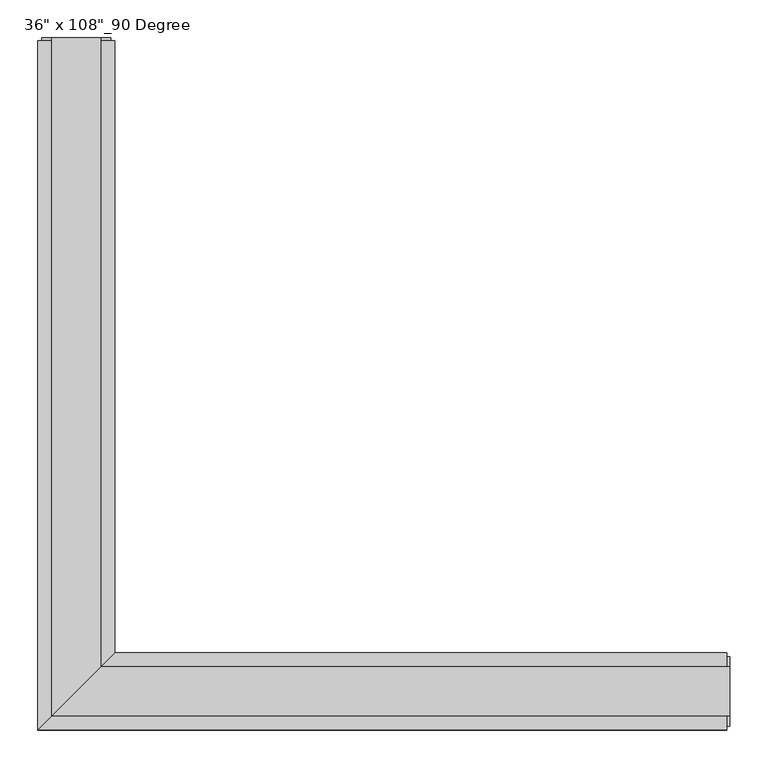
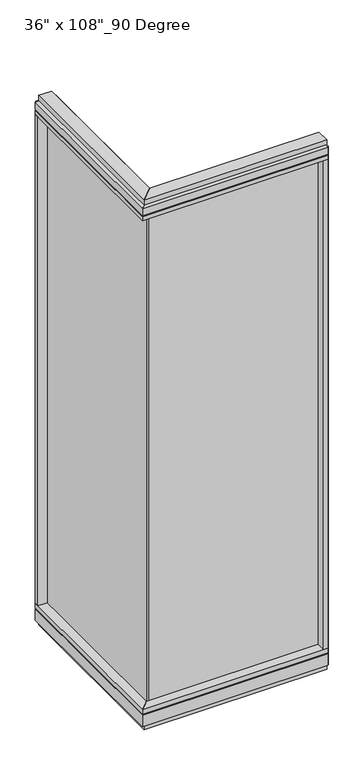
"""IFC4 building model written with IfcOpenShell, lengths in millimetres: furniture geometry."""

from ifc_helpers import new_model, si_unit, frame, origin, origin_with_axes, place, context, project, spatial, polyline, outline, extrude, faceted_brep, source, transform, mapped, element, save


def furniture_d7818420(model_context):
    return source(origin(), model_context, "Body", "SolidModel", [
        extrude(outline(polyline([(-471.5165229, 832.9202784), (-461.3565229, 832.9202784), (-461.3565229, -9.5977216), (-471.5165229, -9.5977216), (-471.5165229, 832.9202784)])), frame((0.0, 0.0, 120.523), z_axis=(0.0, 0.0, 1.0), x_axis=(1.0, 0.0, 0.0)), (0.0, 0.0, 1.0), 2533.777),
        extrude(outline(polyline([(-415.6365229, 855.1452784), (-415.6365229, 46.2822784), (-517.2365229, -55.3177216), (-517.2365229, 855.1452784), (-415.6365229, 855.1452784)])), frame((0.0, 0.0, 2654.3), z_axis=(0.0, 0.0, 1.0), x_axis=(1.0, 0.0, 0.0)), (0.0, 0.0, 1.0), 22.225),
        faceted_brep([(-415.6365229, 46.2822784, 2681.478), (-415.6365229, 46.2822784, 2717.8), (-517.2365229, -55.3177216, 2717.8), (-517.2365229, -55.3177216, 2681.478), (-512.2835229, -50.3647216, 2681.478), (-512.2835229, -50.3647216, 2676.525), (-420.5895229, 41.3292784, 2676.525), (-420.5895229, 41.3292784, 2681.478), (-415.6365229, 855.1452784, 2681.478), (-420.5895229, 855.1452784, 2681.478), (-420.5895229, 855.1452784, 2676.525), (-512.2835229, 855.1452784, 2676.525), (-512.2835229, 855.1452784, 2681.478), (-517.2365229, 855.1452784, 2681.478), (-517.2365229, 855.1452784, 2717.8), (-415.6365229, 855.1452784, 2717.8)], [[[0, 1, 2, 3, 4, 5, 6, 7]], [[8, 9, 10, 11, 12, 13, 14, 15]], [[8, 0, 7, 9]], [[13, 3, 2, 14]], [[14, 2, 1, 15]], [[15, 1, 0, 8]], [[9, 7, 6, 10]], [[10, 6, 5, 11]], [[11, 5, 4, 12]], [[12, 4, 3, 13]]]),
        extrude(outline(polyline([(-433.9245229, 859.0822784), (-433.9245229, 27.9942784), (-498.9485229, -37.0297216), (-498.9485229, 859.0822784), (-433.9245229, 859.0822784)])), frame((0.0, 0.0, 2717.8), z_axis=(0.0, 0.0, 1.0), x_axis=(1.0, 0.0, 0.0)), (0.0, 0.0, 1.0), 25.4),
        faceted_brep([(-420.5895229, 41.3292784, 93.345), (-420.5895229, 41.3292784, 98.298), (-512.2835229, -50.3647216, 98.298), (-512.2835229, -50.3647216, 93.345), (-517.2365229, -55.3177216, 93.345), (-517.2365229, -55.3177216, 31.75), (-415.6365229, 46.2822784, 31.75), (-415.6365229, 46.2822784, 93.345), (-415.6365229, 855.1452784, 93.345), (-415.6365229, 855.1452784, 31.75), (-517.2365229, 855.1452784, 31.75), (-517.2365229, 855.1452784, 93.345), (-512.2835229, 855.1452784, 93.345), (-512.2835229, 855.1452784, 98.298), (-420.5895229, 855.1452784, 98.298), (-420.5895229, 855.1452784, 93.345)], [[[0, 1, 2, 3, 4, 5, 6, 7]], [[8, 9, 10, 11, 12, 13, 14, 15]], [[15, 0, 7, 8]], [[10, 5, 4, 11]], [[9, 6, 5, 10]], [[8, 7, 6, 9]], [[14, 1, 0, 15]], [[13, 2, 1, 14]], [[12, 3, 2, 13]], [[11, 4, 3, 12]]]),
        extrude(outline(polyline([(-415.6365229, 855.1452784), (-415.6365229, 46.2822784), (-517.2365229, -55.3177216), (-517.2365229, 855.1452784), (-415.6365229, 855.1452784)])), frame((0.0, 0.0, 98.298), z_axis=(0.0, 0.0, 1.0), x_axis=(1.0, 0.0, 0.0)), (0.0, 0.0, 1.0), 22.225),
        extrude(outline(polyline([(-433.9245229, 859.0822784), (-433.9245229, 27.9942784), (-498.9485229, -37.0297216), (-498.9485229, 859.0822784), (-433.9245229, 859.0822784)])), origin_with_axes(), (0.0, 0.0, 1.0), 31.75),
        extrude(outline(polyline([(-517.2365229, 832.9202784), (-517.2365229, 855.1452784), (-415.6365229, 855.1452784), (-415.6365229, 832.9202784), (-517.2365229, 832.9202784)])), frame((0.0, 0.0, 120.523), z_axis=(0.0, 0.0, 1.0), x_axis=(1.0, 0.0, 0.0)), (0.0, 0.0, 1.0), 2533.777),
        extrude(outline(polyline([(-512.2835229, 859.0822784), (-420.5895229, 859.0822784), (-420.5895229, 855.1452784), (-512.2835229, 855.1452784), (-512.2835229, 859.0822784)])), frame((0.0, 0.0, 31.75), z_axis=(0.0, 0.0, 1.0), x_axis=(1.0, 0.0, 0.0)), (0.0, 0.0, 1.0), 2686.05),
        extrude(outline(polyline([(371.0014771, -9.5977216), (-471.5165229, -9.5977216), (-471.5165229, 0.5622784), (371.0014771, 0.5622784), (371.0014771, -9.5977216)])), frame((0.0, 0.0, 120.523), z_axis=(0.0, 0.0, 1.0), x_axis=(1.0, 0.0, 0.0)), (0.0, 0.0, 1.0), 2533.777),
        extrude(outline(polyline([(393.2264771, 46.2822784), (393.2264771, -55.3177216), (-517.2365229, -55.3177216), (-415.6365229, 46.2822784), (393.2264771, 46.2822784)])), frame((0.0, 0.0, 2654.3), z_axis=(0.0, 0.0, 1.0), x_axis=(1.0, 0.0, 0.0)), (0.0, 0.0, 1.0), 22.225),
        faceted_brep([(-415.6365229, 46.2822784, 2681.478), (-420.5895229, 41.3292784, 2681.478), (-420.5895229, 41.3292784, 2676.525), (-512.2835229, -50.3647216, 2676.525), (-512.2835229, -50.3647216, 2681.478), (-517.2365229, -55.3177216, 2681.478), (-517.2365229, -55.3177216, 2717.8), (-415.6365229, 46.2822784, 2717.8), (393.2264771, 46.2822784, 2681.478), (393.2264771, 46.2822784, 2717.8), (393.2264771, -55.3177216, 2717.8), (393.2264771, -55.3177216, 2681.478), (393.2264771, -50.3647216, 2681.478), (393.2264771, -50.3647216, 2676.525), (393.2264771, 41.3292784, 2676.525), (393.2264771, 41.3292784, 2681.478)], [[[0, 1, 2, 3, 4, 5, 6, 7]], [[8, 9, 10, 11, 12, 13, 14, 15]], [[8, 15, 1, 0]], [[11, 10, 6, 5]], [[10, 9, 7, 6]], [[9, 8, 0, 7]], [[15, 14, 2, 1]], [[14, 13, 3, 2]], [[13, 12, 4, 3]], [[12, 11, 5, 4]]]),
        extrude(outline(polyline([(397.1634771, 27.9942784), (397.1634771, -37.0297216), (-498.9485229, -37.0297216), (-433.9245229, 27.9942784), (397.1634771, 27.9942784)])), frame((0.0, 0.0, 2717.8), z_axis=(0.0, 0.0, 1.0), x_axis=(1.0, 0.0, 0.0)), (0.0, 0.0, 1.0), 25.4),
        faceted_brep([(-420.5895229, 41.3292784, 93.345), (-415.6365229, 46.2822784, 93.345), (-415.6365229, 46.2822784, 31.75), (-517.2365229, -55.3177216, 31.75), (-517.2365229, -55.3177216, 93.345), (-512.2835229, -50.3647216, 93.345), (-512.2835229, -50.3647216, 98.298), (-420.5895229, 41.3292784, 98.298), (393.2264771, 46.2822784, 93.345), (393.2264771, 41.3292784, 93.345), (393.2264771, 41.3292784, 98.298), (393.2264771, -50.3647216, 98.298), (393.2264771, -50.3647216, 93.345), (393.2264771, -55.3177216, 93.345), (393.2264771, -55.3177216, 31.75), (393.2264771, 46.2822784, 31.75)], [[[0, 1, 2, 3, 4, 5, 6, 7]], [[8, 9, 10, 11, 12, 13, 14, 15]], [[9, 8, 1, 0]], [[14, 13, 4, 3]], [[15, 14, 3, 2]], [[8, 15, 2, 1]], [[10, 9, 0, 7]], [[11, 10, 7, 6]], [[12, 11, 6, 5]], [[13, 12, 5, 4]]]),
        extrude(outline(polyline([(393.2264771, 46.2822784), (393.2264771, -55.3177216), (-517.2365229, -55.3177216), (-415.6365229, 46.2822784), (393.2264771, 46.2822784)])), frame((0.0, 0.0, 98.298), z_axis=(0.0, 0.0, 1.0), x_axis=(1.0, 0.0, 0.0)), (0.0, 0.0, 1.0), 22.225),
        extrude(outline(polyline([(397.1634771, 27.9942784), (397.1634771, -37.0297216), (-498.9485229, -37.0297216), (-433.9245229, 27.9942784), (397.1634771, 27.9942784)])), origin_with_axes(), (0.0, 0.0, 1.0), 31.75),
        extrude(outline(polyline([(371.0014771, -55.3177216), (371.0014771, 46.2822784), (393.2264771, 46.2822784), (393.2264771, -55.3177216), (371.0014771, -55.3177216)])), frame((0.0, 0.0, 120.523), z_axis=(0.0, 0.0, 1.0), x_axis=(1.0, 0.0, 0.0)), (0.0, 0.0, 1.0), 2533.777),
        extrude(outline(polyline([(397.1634771, -50.3647216), (393.2264771, -50.3647216), (393.2264771, 41.3292784), (397.1634771, 41.3292784), (397.1634771, -50.3647216)])), frame((0.0, 0.0, 31.75), z_axis=(0.0, 0.0, 1.0), x_axis=(1.0, 0.0, 0.0)), (0.0, 0.0, 1.0), 2686.05),
    ])


if __name__ == "__main__":
    model = new_model("IFC4")
    model_context = context("Model", 3, world=origin())
    ifc_project = project(units=[si_unit("LENGTHUNIT", "METRE", prefix="MILLI")], contexts=[model_context])
    site = spatial("IfcSite", under=ifc_project)
    building = spatial("IfcBuilding", under=site)
    placement = place(None, origin())
    furniture_shape = furniture_d7818420(model_context)
    element("IfcFurniture", 1, ObjectType="36\" x 108\"_90 Degree", at=placement, inside=building, context=model_context, shape_type="MappedRepresentation", body=[
        mapped(furniture_shape, transform((0.0, 0.0, 0.0), x_axis=(1.0, 0.0, 0.0), y_axis=(0.0, 1.0, 0.0), z_axis=(0.0, 0.0, 1.0))),
    ])
    save(model, "model.ifc")
